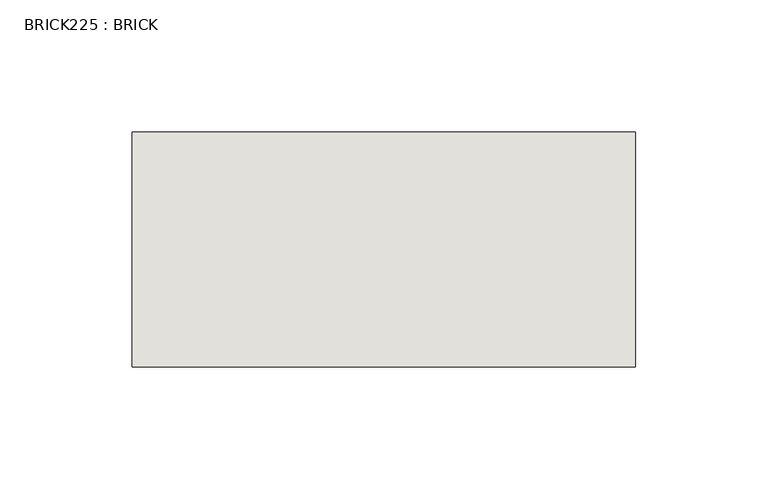
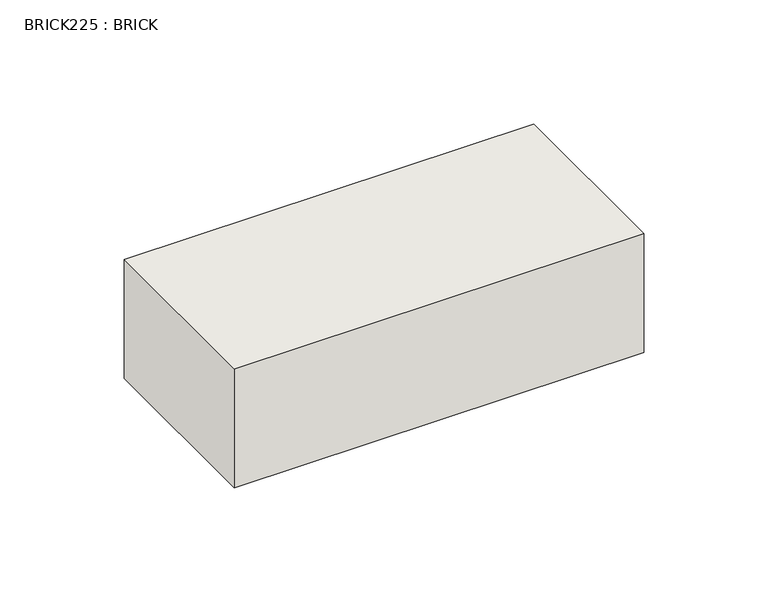
"""IFC4 building model written with IfcOpenShell, lengths in millimetres: wall geometry, BRICK225 : BRICK."""

from ifc_helpers import new_model, si_unit, frame, origin, place, context, project, spatial, polyline, outline, extrude, source, transform, mapped, element, save


def brick225_brick_d0523160(model_context):
    return source(origin(), model_context, "Body", "SweptSolid", [
        extrude(outline(polyline([(-1378.3316239, 3062.3923312), (-1187.8316239, 3062.3923312), (-1187.8316239, 2973.4923312), (-1378.3316239, 2973.4923312), (-1378.3316239, 3062.3923312)])), frame((0.0, 0.0, 493.4148438), z_axis=(0.0, 0.0, 1.0), x_axis=(1.0, 0.0, 0.0)), (0.0, 0.0, 1.0), 58.4398438),
    ])


if __name__ == "__main__":
    model = new_model("IFC4")
    model_context = context("Model", 3, world=origin())
    ifc_project = project(units=[si_unit("LENGTHUNIT", "METRE", prefix="MILLI")], contexts=[model_context])
    site = spatial("IfcSite", under=ifc_project)
    building = spatial("IfcBuilding", under=site)
    placement = place(None, origin())
    brick225_brick_shape = brick225_brick_d0523160(model_context)
    element("IfcWall", 1, ObjectType="BRICK225 : BRICK", at=placement, inside=building, context=model_context, shape_type="MappedRepresentation", body=[
        mapped(brick225_brick_shape, transform((0.0, 0.0, 0.0), x_axis=(1.0, 0.0, 0.0), y_axis=(0.0, 1.0, 0.0), z_axis=(0.0, 0.0, 1.0))),
    ])
    save(model, "model.ifc")
